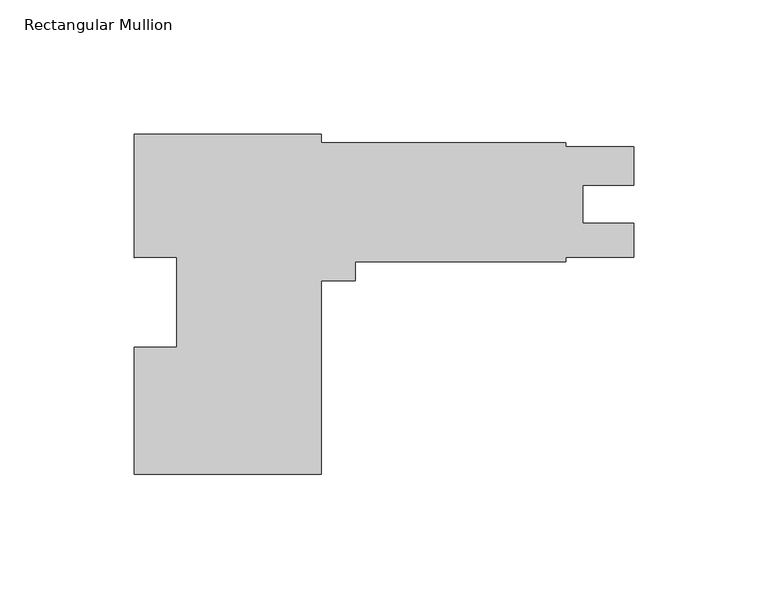
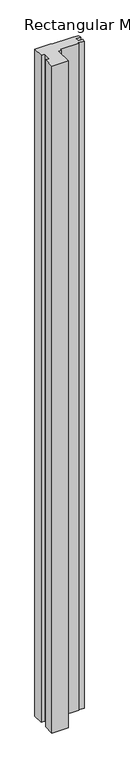
"""IFC4 building model written with IfcOpenShell, lengths in millimetres: member geometry, Rectangular Mullion."""

from ifc_helpers import new_model, si_unit, frame, origin, place, context, project, spatial, polyline, outline, extrude, source, transform, mapped, element, save


def rectangular_mullion_2c777d00(model_context):
    return source(origin(), model_context, "Body", "SweptSolid", [
        extrude(outline(polyline([(-116.68125, 46.92015), (-116.68125, 43.74515), (-25.4, 43.74515), (-25.4, 42.1576337), (0.0, 42.1576337), (0.0, 27.89555), (-19.0372991, 27.89555), (-19.0372991, 13.60805), (0.0, 13.60805), (0.0, 0.89535), (-25.4, 0.89535), (-25.4, -0.70485), (-103.98125, -0.70485), (-103.98125, -7.867523), (-116.68125, -7.867523), (-116.68125, -80.07985), (-186.53125, -80.07985), (-186.53125, -32.61995), (-170.65625, -32.61995), (-170.65625, 1.0048621), (-186.53125, 0.8108129), (-186.53125, 46.92015), (-116.68125, 46.92015)])), frame((0.0, 0.0, -3048.0), z_axis=(0.0, 0.0, 1.0), x_axis=(1.0, 0.0, 0.0)), (0.0, 0.0, 1.0), 3048.0),
    ])


if __name__ == "__main__":
    model = new_model("IFC4")
    model_context = context("Model", 3, world=origin())
    ifc_project = project(units=[si_unit("LENGTHUNIT", "METRE", prefix="MILLI")], contexts=[model_context])
    site = spatial("IfcSite", under=ifc_project)
    building = spatial("IfcBuilding", under=site)
    placement = place(None, origin())
    rectangular_mullion_shape = rectangular_mullion_2c777d00(model_context)
    element("IfcMember", 1, ObjectType="Rectangular Mullion", at=placement, inside=building, context=model_context, shape_type="MappedRepresentation", body=[
        mapped(rectangular_mullion_shape, transform((0.0, 0.0, 0.0), x_axis=(1.0, 0.0, 0.0), y_axis=(0.0, 1.0, 0.0), z_axis=(0.0, 0.0, 1.0))),
    ])
    save(model, "model.ifc")
